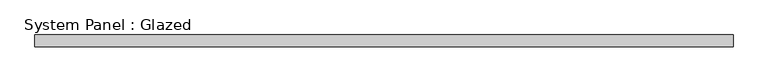
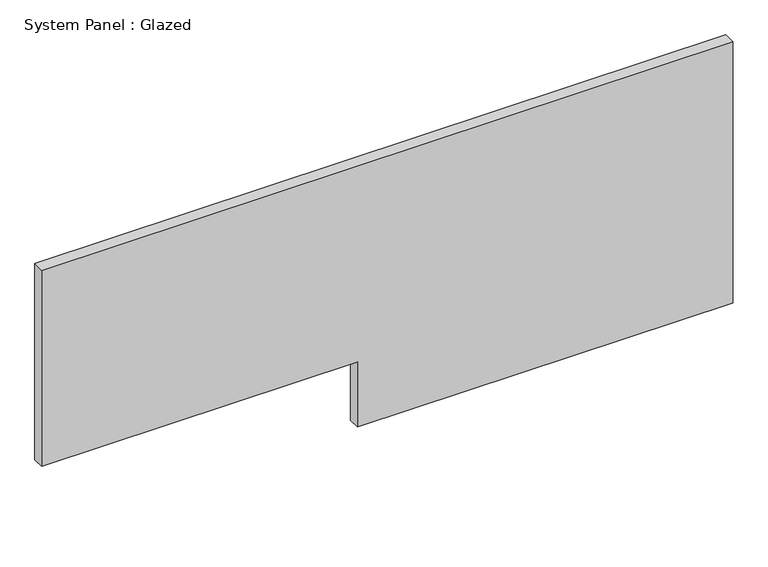
"""IFC4 building model written with IfcOpenShell, lengths in millimetres: plate geometry, System Panel : Glazed."""

import ifcopenshell
import ifcopenshell.guid

model = None  # the IFC model being written
_history = None  # IfcOwnerHistory: only IFC2X3 demands one
_inside = {}  # id of a spatial element -> (the spatial element, [elements in it])
_under = {}  # id of a project, library or spatial element -> (it, [spatial elements below it])
_declared = {}  # id of a project -> (the project, [libraries it declares])
_typed = {}  # id of a type object -> (the type object, [elements of that type])
_made_of = {}  # id of a material, layer set ... -> (it, [elements and type objects made of it])


def new_model(schema):
    """Start an empty IFC model of exactly this schema.

    Asked for "IFC4X3", IfcOpenShell would pick the latest addendum, in which some entities
    have other attributes; the version numbers below select the first issue.
    IFC2X3 requires an IfcOwnerHistory on every rooted entity: one is made here for all.
    """
    global model, _history
    if schema == "IFC4X3":
        model = ifcopenshell.file(schema_version=(4, 3, 0, 0))
    else:
        model = ifcopenshell.file(schema=schema)
    _inside.clear()
    _under.clear()
    _declared.clear()
    _typed.clear()
    _made_of.clear()
    _history = None
    if model.schema == "IFC2X3":
        org = make("IfcOrganization", Name="unknown")
        user = make(
            "IfcPersonAndOrganization",
            ThePerson=make("IfcPerson", FamilyName="unknown"),
            TheOrganization=org,
        )
        app = make(
            "IfcApplication",
            ApplicationDeveloper=org,
            Version="unknown",
            ApplicationFullName="unknown",
            ApplicationIdentifier="unknown",
        )
        _history = make(
            "IfcOwnerHistory",
            OwningUser=user,
            OwningApplication=app,
            ChangeAction="ADDED",
            CreationDate=0,
        )
    return model


def make(cls, **values):
    """One entity of the class cls with the attributes given. An attribute that is None is left unset."""
    return model.create_entity(
        cls, **{name: value for name, value in values.items() if value is not None}
    )


def rooted(cls, **values):
    """An entity with a GlobalId (a new one), such as an element, a storey or a relation."""
    return make(cls, GlobalId=ifcopenshell.guid.new(), OwnerHistory=_history, **values)


def si_unit(unit_type, name, prefix=None):
    """IfcSIUnit, for example si_unit("LENGTHUNIT", "METRE", prefix="MILLI")."""
    return make("IfcSIUnit", UnitType=unit_type, Prefix=prefix, Name=name)


def assignment(units):
    """IfcUnitAssignment: the units of a project."""
    return None if units is None else make("IfcUnitAssignment", Units=units)


def point(xyz):
    """IfcCartesianPoint."""
    return None if xyz is None else make("IfcCartesianPoint", Coordinates=xyz)


def direction(xyz):
    """IfcDirection."""
    return None if xyz is None else make("IfcDirection", DirectionRatios=xyz)


def frame(location, z_axis=None, x_axis=None):
    """IfcAxis2Placement3D, a coordinate frame: its origin and axes. An axis left out is left unset."""
    return make(
        "IfcAxis2Placement3D",
        Location=point(location),
        Axis=direction(z_axis),
        RefDirection=direction(x_axis),
    )


def origin():
    """The frame at (0, 0, 0) with its axes left unset."""
    return frame((0.0, 0.0, 0.0))


def place(relative_to, where):
    """IfcLocalPlacement: puts the frame where relative to a parent placement (None: the world)."""
    return make(
        "IfcLocalPlacement", PlacementRelTo=relative_to, RelativePlacement=where
    )


def context(
    kind, dimensions, precision=None, world=None, true_north=None, identifier=None
):
    """IfcGeometricRepresentationContext, for example the 3D "Model" context."""
    return make(
        "IfcGeometricRepresentationContext",
        ContextIdentifier=identifier,
        ContextType=kind,
        CoordinateSpaceDimension=dimensions,
        Precision=precision,
        WorldCoordinateSystem=world,
        TrueNorth=true_north,
    )


def project(units=None, contexts=None):
    """IfcProject with its units and contexts."""
    return rooted(
        "IfcProject",
        Name="project",
        RepresentationContexts=contexts,
        UnitsInContext=assignment(units),
    )


def spatial(cls, under=None, at=None, **own):
    """A site, building, storey or space (cls), placed at a placement, below another one or the project."""
    s = rooted(cls, ObjectPlacement=at, **own)
    if under is not None:
        _under.setdefault(under.id(), (under, []))[1].append(s)
    return s


def polyline(points):
    """IfcPolyline through the points."""
    return make("IfcPolyline", Points=[point(p) for p in points])


def outline(outer, holes=None, kind="AREA"):
    """IfcArbitraryClosedProfileDef: a profile drawn as a closed curve; with holes, ...WithVoids."""
    if holes is None:
        return make("IfcArbitraryClosedProfileDef", ProfileType=kind, OuterCurve=outer)
    return make(
        "IfcArbitraryProfileDefWithVoids",
        ProfileType=kind,
        OuterCurve=outer,
        InnerCurves=holes,
    )


def extrude(swept, where, along, depth):
    """IfcExtrudedAreaSolid: the profile swept, set in the frame where, extruded along a direction by depth."""
    return make(
        "IfcExtrudedAreaSolid",
        SweptArea=swept,
        Position=where,
        ExtrudedDirection=direction(along),
        Depth=depth,
    )


def shape(context_of_items, identifier, shape_type, items):
    """IfcShapeRepresentation: the items that make up one representation, for example the "Body"."""
    return make(
        "IfcShapeRepresentation",
        ContextOfItems=context_of_items,
        RepresentationIdentifier=identifier,
        RepresentationType=shape_type,
        Items=items,
    )


def source(mapping_origin, context_of_items, identifier, shape_type, items):
    """IfcRepresentationMap: a shape defined once, which mapped items show again and again."""
    return make(
        "IfcRepresentationMap",
        MappingOrigin=mapping_origin,
        MappedRepresentation=shape(context_of_items, identifier, shape_type, items),
    )


def transform(
    local_origin,
    x_axis=None,
    y_axis=None,
    z_axis=None,
    scale=None,
    scale2=None,
    scale3=None,
    uniform=True,
):
    """IfcCartesianTransformationOperator3D, or its non-uniform kind. x_axis, y_axis, z_axis: its Axis1, 2, 3."""
    if uniform:
        return make(
            "IfcCartesianTransformationOperator3D",
            Axis1=direction(x_axis),
            Axis2=direction(y_axis),
            LocalOrigin=point(local_origin),
            Scale=scale,
            Axis3=direction(z_axis),
        )
    return make(
        "IfcCartesianTransformationOperator3DnonUniform",
        Axis1=direction(x_axis),
        Axis2=direction(y_axis),
        LocalOrigin=point(local_origin),
        Scale=scale,
        Axis3=direction(z_axis),
        Scale2=scale2,
        Scale3=scale3,
    )


def mapped(mapping_source, mapping_target):
    """IfcMappedItem: shows the shape of a source again, moved by a transform."""
    return make(
        "IfcMappedItem", MappingSource=mapping_source, MappingTarget=mapping_target
    )


def made_of(thing, what):
    """Note that an element or type object is made of a material, layer set ...; save() writes the relation."""
    if what is not None:
        _made_of.setdefault(what.id(), (what, []))[1].append(thing)
    return thing


def element(
    cls,
    number,
    at=None,
    inside=None,
    cuts=None,
    type_object=None,
    material=None,
    context=None,
    identifier="Body",
    shape_type=None,
    held_by="IfcProductDefinitionShape",
    body=None,
    shapes=None,
    **own,
):
    """One element of the class cls, such as IfcWall. Its Tag is "e" and its number.

    at: its placement. inside: the storey or other place that contains it. cuts: it is an
    opening in that element (IfcRelVoidsElement). A single representation is given by context,
    identifier, shape_type and body (its items); several are given by shapes. held_by: the class
    of the entity that holds the representations. save() writes the other relations.
    """
    e = rooted(cls, Tag="e%d" % number, ObjectPlacement=at, **own)
    if body is not None:
        shapes = [shape(context, identifier, shape_type, body)]
    if shapes is not None:
        e.Representation = make(held_by, Representations=shapes)
    if inside is not None:
        _inside.setdefault(inside.id(), (inside, []))[1].append(e)
    if cuts is not None:
        rooted(
            "IfcRelVoidsElement", RelatingBuildingElement=cuts, RelatedOpeningElement=e
        )
    if type_object is not None:
        _typed.setdefault(type_object.id(), (type_object, []))[1].append(e)
    return made_of(e, material)


def aggregate(whole, parts):
    """IfcRelAggregates: a whole, such as a stair, and the parts it consists of."""
    return rooted("IfcRelAggregates", RelatingObject=whole, RelatedObjects=parts)


def save(model, path):
    """Write the relations noted so far, then the file.

    IfcRelAggregates (storeys below a building ...), IfcRelContainedInSpatialStructure (elements
    in a storey), IfcRelDefinesByType, IfcRelAssociatesMaterial and IfcRelDeclares: one each for
    every whole, place, type object, material and project.
    """
    for whole, parts in _under.values():
        aggregate(whole, parts)
    for where, things in _inside.values():
        rooted(
            "IfcRelContainedInSpatialStructure",
            RelatedElements=things,
            RelatingStructure=where,
        )
    for kind, things in _typed.values():
        rooted("IfcRelDefinesByType", RelatedObjects=things, RelatingType=kind)
    for what, things in _made_of.values():
        rooted("IfcRelAssociatesMaterial", RelatedObjects=things, RelatingMaterial=what)
    for by, libraries in _declared.values():
        rooted("IfcRelDeclares", RelatingContext=by, RelatedDefinitions=libraries)
    model.write(path)


def system_panel_glazed_34cbab50(model_context):
    return source(origin(), model_context, "Body", "SweptSolid", [
        extrude(outline(polyline([(0.0, -65.4590832), (0.0, 762.0), (609.6, 762.0), (609.6, -762.0), (152.4, -762.0), (152.4, -65.4590832), (0.0, -65.4590832)])), frame((0.0, 19.05, 0.0), z_axis=(0.0, 1.0, 0.0), x_axis=(0.0, 0.0, 1.0)), (0.0, 0.0, 1.0), 25.4),
    ])


if __name__ == "__main__":
    model = new_model("IFC4")
    model_context = context("Model", 3, world=origin())
    ifc_project = project(units=[si_unit("LENGTHUNIT", "METRE", prefix="MILLI")], contexts=[model_context])
    site = spatial("IfcSite", under=ifc_project)
    building = spatial("IfcBuilding", under=site)
    placement = place(None, origin())
    system_panel_glazed_shape = system_panel_glazed_34cbab50(model_context)
    element("IfcPlate", 1, ObjectType="System Panel : Glazed", at=placement, inside=building, context=model_context, shape_type="MappedRepresentation", body=[
        mapped(system_panel_glazed_shape, transform((0.0, 0.0, 0.0), x_axis=(1.0, 0.0, 0.0), y_axis=(0.0, 1.0, 0.0), z_axis=(0.0, 0.0, 1.0))),
    ])
    save(model, "model.ifc")
